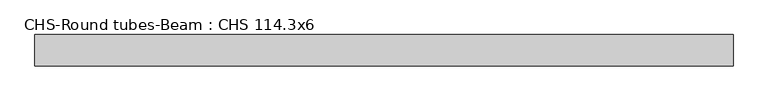
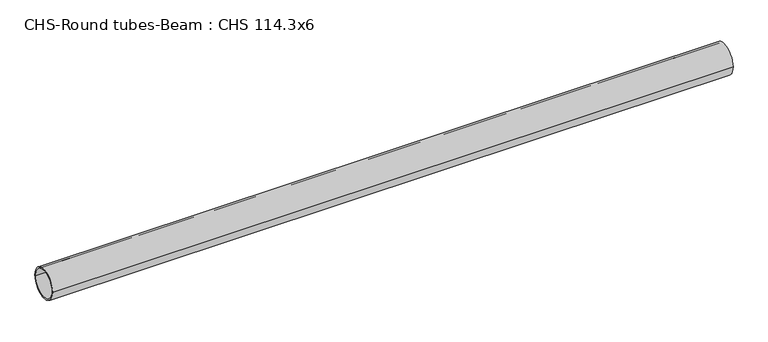
"""IFC4 building model written with IfcOpenShell, lengths in millimetres: beam geometry, CHS-Round tubes-Beam : CHS 114.3x6."""

from ifc_helpers import new_model, si_unit, point, frame, origin, origin_2d, place, context, project, spatial, circle_curve, trimmed, segment, composite_curve, outline, extrude, source, transform, mapped, element, save


def chs_round_tubes_beam_chs_114_3x6_174e4462(model_context):
    return source(origin(), model_context, "Body", "SweptSolid", [
        extrude(outline(composite_curve([segment(trimmed(circle_curve(origin_2d(), 57.15), [point((57.15, 0.0))], [point((-57.15, 0.0))], False, "CARTESIAN"), True, "CONTINUOUS"), segment(trimmed(circle_curve(origin_2d(), 57.15), [point((-57.15, 0.0))], [point((57.15, 0.0))], False, "CARTESIAN"), True, "CONTINUOUS")], self_intersect=False), holes=[composite_curve([segment(trimmed(circle_curve(origin_2d(), 51.15), [point((51.15, 0.0))], [point((-51.15, 0.0))], True, "CARTESIAN"), True, "CONTINUOUS"), segment(trimmed(circle_curve(origin_2d(), 51.15), [point((-51.15, 0.0))], [point((51.15, 0.0))], True, "CARTESIAN"), True, "CONTINUOUS")], self_intersect=False)]), frame((-1249.8909323, 0.0, 0.0), z_axis=(1.0, 0.0, 0.0), x_axis=(0.0, 1.0, 0.0)), (0.0, 0.0, 1.0), 2537.5024263),
    ])


if __name__ == "__main__":
    model = new_model("IFC4")
    model_context = context("Model", 3, world=origin())
    ifc_project = project(units=[si_unit("LENGTHUNIT", "METRE", prefix="MILLI")], contexts=[model_context])
    site = spatial("IfcSite", under=ifc_project)
    building = spatial("IfcBuilding", under=site)
    placement = place(None, origin())
    chs_round_tubes_beam_chs_114_3x6_shape = chs_round_tubes_beam_chs_114_3x6_174e4462(model_context)
    element("IfcBeam", 1, ObjectType="CHS-Round tubes-Beam : CHS 114.3x6", at=placement, inside=building, context=model_context, shape_type="MappedRepresentation", body=[
        mapped(chs_round_tubes_beam_chs_114_3x6_shape, transform((0.0, 0.0, 0.0), x_axis=(1.0, 0.0, 0.0), y_axis=(0.0, 1.0, 0.0), z_axis=(0.0, 0.0, 1.0))),
    ])
    save(model, "model.ifc")
